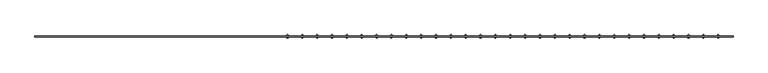
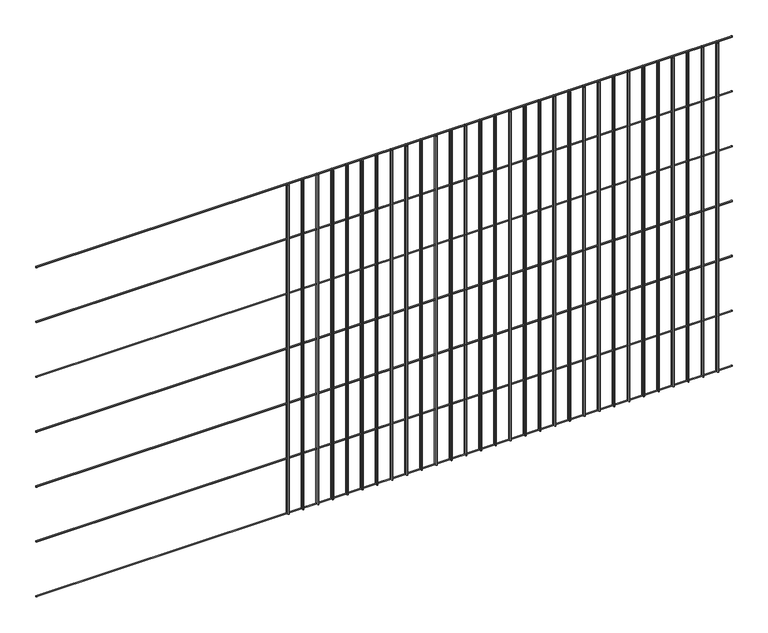
"""IFC4 building model written with IfcOpenShell, lengths in millimetres: railing geometry."""

from ifc_helpers import new_model, si_unit, point, frame, frame_2d, origin, place, context, project, spatial, circle_curve, trimmed, segment, composite_curve, outline, extrude, source, transform, mapped, element, save


def railing_db44f202(model_context):
    return source(origin(), model_context, "Body", "SweptSolid", [
        extrude(outline(composite_curve([segment(trimmed(circle_curve(frame_2d((6987.418461, 54561.2835937)), 2.0574), [point((6989.475861, 54561.2835937))], [point((6985.361061, 54561.2835937))], False, "CARTESIAN"), True, "CONTINUOUS"), segment(trimmed(circle_curve(frame_2d((6987.418461, 54561.2835937)), 2.0574), [point((6985.361061, 54561.2835937))], [point((6989.475861, 54561.2835937))], False, "CARTESIAN"), True, "CONTINUOUS")], self_intersect=False)), frame((-11489.0860839, 0.0, 0.0), z_axis=(1.0, 0.0, 0.0), x_axis=(0.0, 1.0, 0.0)), (0.0, 0.0, 1.0), 2438.4),
        extrude(outline(composite_curve([segment(trimmed(circle_curve(frame_2d((6987.418461, 54358.0835937)), 2.0574), [point((6989.475861, 54358.0835937))], [point((6985.361061, 54358.0835937))], False, "CARTESIAN"), True, "CONTINUOUS"), segment(trimmed(circle_curve(frame_2d((6987.418461, 54358.0835937)), 2.0574), [point((6985.361061, 54358.0835937))], [point((6989.475861, 54358.0835937))], False, "CARTESIAN"), True, "CONTINUOUS")], self_intersect=False)), frame((-11489.0860839, 0.0, 0.0), z_axis=(1.0, 0.0, 0.0), x_axis=(0.0, 1.0, 0.0)), (0.0, 0.0, 1.0), 2438.4),
        extrude(outline(composite_curve([segment(trimmed(circle_curve(frame_2d((6987.418461, 54154.8835937)), 2.0574), [point((6989.475861, 54154.8835937))], [point((6985.361061, 54154.8835937))], False, "CARTESIAN"), True, "CONTINUOUS"), segment(trimmed(circle_curve(frame_2d((6987.418461, 54154.8835937)), 2.0574), [point((6985.361061, 54154.8835937))], [point((6989.475861, 54154.8835937))], False, "CARTESIAN"), True, "CONTINUOUS")], self_intersect=False)), frame((-11489.0860839, 0.0, 0.0), z_axis=(1.0, 0.0, 0.0), x_axis=(0.0, 1.0, 0.0)), (0.0, 0.0, 1.0), 2438.4),
        extrude(outline(composite_curve([segment(trimmed(circle_curve(frame_2d((6987.418461, 53951.6835937)), 2.0574), [point((6989.475861, 53951.6835937))], [point((6985.361061, 53951.6835937))], False, "CARTESIAN"), True, "CONTINUOUS"), segment(trimmed(circle_curve(frame_2d((6987.418461, 53951.6835937)), 2.0574), [point((6985.361061, 53951.6835937))], [point((6989.475861, 53951.6835937))], False, "CARTESIAN"), True, "CONTINUOUS")], self_intersect=False)), frame((-11489.0860839, 0.0, 0.0), z_axis=(1.0, 0.0, 0.0), x_axis=(0.0, 1.0, 0.0)), (0.0, 0.0, 1.0), 2438.4),
        extrude(outline(composite_curve([segment(trimmed(circle_curve(frame_2d((6987.418461, 53748.4835937)), 2.0574), [point((6989.475861, 53748.4835937))], [point((6985.361061, 53748.4835937))], False, "CARTESIAN"), True, "CONTINUOUS"), segment(trimmed(circle_curve(frame_2d((6987.418461, 53748.4835937)), 2.0574), [point((6985.361061, 53748.4835937))], [point((6989.475861, 53748.4835937))], False, "CARTESIAN"), True, "CONTINUOUS")], self_intersect=False)), frame((-11489.0860839, 0.0, 0.0), z_axis=(1.0, 0.0, 0.0), x_axis=(0.0, 1.0, 0.0)), (0.0, 0.0, 1.0), 2438.4),
        extrude(outline(composite_curve([segment(trimmed(circle_curve(frame_2d((6987.418461, 53545.2835937)), 2.0574), [point((6989.475861, 53545.2835937))], [point((6985.361061, 53545.2835937))], False, "CARTESIAN"), True, "CONTINUOUS"), segment(trimmed(circle_curve(frame_2d((6987.418461, 53545.2835937)), 2.0574), [point((6985.361061, 53545.2835937))], [point((6989.475861, 53545.2835937))], False, "CARTESIAN"), True, "CONTINUOUS")], self_intersect=False)), frame((-11489.0860839, 0.0, 0.0), z_axis=(1.0, 0.0, 0.0), x_axis=(0.0, 1.0, 0.0)), (0.0, 0.0, 1.0), 2438.4),
        extrude(outline(composite_curve([segment(trimmed(circle_curve(frame_2d((6987.418461, 53342.0835937)), 2.0574), [point((6989.475861, 53342.0835937))], [point((6985.361061, 53342.0835937))], False, "CARTESIAN"), True, "CONTINUOUS"), segment(trimmed(circle_curve(frame_2d((6987.418461, 53342.0835937)), 2.0574), [point((6985.361061, 53342.0835937))], [point((6989.475861, 53342.0835937))], False, "CARTESIAN"), True, "CONTINUOUS")], self_intersect=False)), frame((-11489.0860839, 0.0, 0.0), z_axis=(1.0, 0.0, 0.0), x_axis=(0.0, 1.0, 0.0)), (0.0, 0.0, 1.0), 2438.4),
        extrude(outline(composite_curve([segment(trimmed(circle_curve(frame_2d((-9102.566935, 6991.533261)), 2.0574), [point((-9102.566935, 6989.475861))], [point((-9102.566935, 6993.590661))], False, "CARTESIAN"), True, "CONTINUOUS"), segment(trimmed(circle_curve(frame_2d((-9102.566935, 6991.533261)), 2.0574), [point((-9102.566935, 6993.590661))], [point((-9102.566935, 6989.475861))], False, "CARTESIAN"), True, "CONTINUOUS")], self_intersect=False)), frame((0.0, 0.0, 53340.0), z_axis=(0.0, 0.0, 1.0), x_axis=(1.0, 0.0, 0.0)), (0.0, 0.0, 1.0), 1219.2),
        extrude(outline(composite_curve([segment(trimmed(circle_curve(frame_2d((-9102.566935, 6983.303661)), 2.0574), [point((-9102.566935, 6985.361061))], [point((-9102.566935, 6981.246261))], False, "CARTESIAN"), True, "CONTINUOUS"), segment(trimmed(circle_curve(frame_2d((-9102.566935, 6983.303661)), 2.0574), [point((-9102.566935, 6981.246261))], [point((-9102.566935, 6985.361061))], False, "CARTESIAN"), True, "CONTINUOUS")], self_intersect=False)), frame((0.0, 0.0, 53340.0), z_axis=(0.0, 0.0, 1.0), x_axis=(1.0, 0.0, 0.0)), (0.0, 0.0, 1.0), 1219.2),
        extrude(outline(composite_curve([segment(trimmed(circle_curve(frame_2d((-9154.447786, 6991.533261)), 2.0574), [point((-9154.447786, 6989.475861))], [point((-9154.447786, 6993.590661))], False, "CARTESIAN"), True, "CONTINUOUS"), segment(trimmed(circle_curve(frame_2d((-9154.447786, 6991.533261)), 2.0574), [point((-9154.447786, 6993.590661))], [point((-9154.447786, 6989.475861))], False, "CARTESIAN"), True, "CONTINUOUS")], self_intersect=False)), frame((0.0, 0.0, 53340.0), z_axis=(0.0, 0.0, 1.0), x_axis=(1.0, 0.0, 0.0)), (0.0, 0.0, 1.0), 1219.2),
        extrude(outline(composite_curve([segment(trimmed(circle_curve(frame_2d((-9154.447786, 6983.303661)), 2.0574), [point((-9154.447786, 6985.361061))], [point((-9154.447786, 6981.246261))], False, "CARTESIAN"), True, "CONTINUOUS"), segment(trimmed(circle_curve(frame_2d((-9154.447786, 6983.303661)), 2.0574), [point((-9154.447786, 6981.246261))], [point((-9154.447786, 6985.361061))], False, "CARTESIAN"), True, "CONTINUOUS")], self_intersect=False)), frame((0.0, 0.0, 53340.0), z_axis=(0.0, 0.0, 1.0), x_axis=(1.0, 0.0, 0.0)), (0.0, 0.0, 1.0), 1219.2),
        extrude(outline(composite_curve([segment(trimmed(circle_curve(frame_2d((-9206.3286371, 6991.533261)), 2.0574), [point((-9206.3286371, 6989.475861))], [point((-9206.3286371, 6993.590661))], False, "CARTESIAN"), True, "CONTINUOUS"), segment(trimmed(circle_curve(frame_2d((-9206.3286371, 6991.533261)), 2.0574), [point((-9206.3286371, 6993.590661))], [point((-9206.3286371, 6989.475861))], False, "CARTESIAN"), True, "CONTINUOUS")], self_intersect=False)), frame((0.0, 0.0, 53340.0), z_axis=(0.0, 0.0, 1.0), x_axis=(1.0, 0.0, 0.0)), (0.0, 0.0, 1.0), 1219.2),
        extrude(outline(composite_curve([segment(trimmed(circle_curve(frame_2d((-9206.3286371, 6983.303661)), 2.0574), [point((-9206.3286371, 6985.361061))], [point((-9206.3286371, 6981.246261))], False, "CARTESIAN"), True, "CONTINUOUS"), segment(trimmed(circle_curve(frame_2d((-9206.3286371, 6983.303661)), 2.0574), [point((-9206.3286371, 6981.246261))], [point((-9206.3286371, 6985.361061))], False, "CARTESIAN"), True, "CONTINUOUS")], self_intersect=False)), frame((0.0, 0.0, 53340.0), z_axis=(0.0, 0.0, 1.0), x_axis=(1.0, 0.0, 0.0)), (0.0, 0.0, 1.0), 1219.2),
        extrude(outline(composite_curve([segment(trimmed(circle_curve(frame_2d((-9258.2094881, 6991.533261)), 2.0574), [point((-9258.2094881, 6989.475861))], [point((-9258.2094881, 6993.590661))], False, "CARTESIAN"), True, "CONTINUOUS"), segment(trimmed(circle_curve(frame_2d((-9258.2094881, 6991.533261)), 2.0574), [point((-9258.2094881, 6993.590661))], [point((-9258.2094881, 6989.475861))], False, "CARTESIAN"), True, "CONTINUOUS")], self_intersect=False)), frame((0.0, 0.0, 53340.0), z_axis=(0.0, 0.0, 1.0), x_axis=(1.0, 0.0, 0.0)), (0.0, 0.0, 1.0), 1219.2),
        extrude(outline(composite_curve([segment(trimmed(circle_curve(frame_2d((-9258.2094881, 6983.303661)), 2.0574), [point((-9258.2094881, 6985.361061))], [point((-9258.2094881, 6981.246261))], False, "CARTESIAN"), True, "CONTINUOUS"), segment(trimmed(circle_curve(frame_2d((-9258.2094881, 6983.303661)), 2.0574), [point((-9258.2094881, 6981.246261))], [point((-9258.2094881, 6985.361061))], False, "CARTESIAN"), True, "CONTINUOUS")], self_intersect=False)), frame((0.0, 0.0, 53340.0), z_axis=(0.0, 0.0, 1.0), x_axis=(1.0, 0.0, 0.0)), (0.0, 0.0, 1.0), 1219.2),
        extrude(outline(composite_curve([segment(trimmed(circle_curve(frame_2d((-9310.0903392, 6991.533261)), 2.0574), [point((-9310.0903392, 6989.475861))], [point((-9310.0903392, 6993.590661))], False, "CARTESIAN"), True, "CONTINUOUS"), segment(trimmed(circle_curve(frame_2d((-9310.0903392, 6991.533261)), 2.0574), [point((-9310.0903392, 6993.590661))], [point((-9310.0903392, 6989.475861))], False, "CARTESIAN"), True, "CONTINUOUS")], self_intersect=False)), frame((0.0, 0.0, 53340.0), z_axis=(0.0, 0.0, 1.0), x_axis=(1.0, 0.0, 0.0)), (0.0, 0.0, 1.0), 1219.2),
        extrude(outline(composite_curve([segment(trimmed(circle_curve(frame_2d((-9310.0903392, 6983.303661)), 2.0574), [point((-9310.0903392, 6985.361061))], [point((-9310.0903392, 6981.246261))], False, "CARTESIAN"), True, "CONTINUOUS"), segment(trimmed(circle_curve(frame_2d((-9310.0903392, 6983.303661)), 2.0574), [point((-9310.0903392, 6981.246261))], [point((-9310.0903392, 6985.361061))], False, "CARTESIAN"), True, "CONTINUOUS")], self_intersect=False)), frame((0.0, 0.0, 53340.0), z_axis=(0.0, 0.0, 1.0), x_axis=(1.0, 0.0, 0.0)), (0.0, 0.0, 1.0), 1219.2),
        extrude(outline(composite_curve([segment(trimmed(circle_curve(frame_2d((-9361.9711903, 6991.533261)), 2.0574), [point((-9361.9711903, 6989.475861))], [point((-9361.9711903, 6993.590661))], False, "CARTESIAN"), True, "CONTINUOUS"), segment(trimmed(circle_curve(frame_2d((-9361.9711903, 6991.533261)), 2.0574), [point((-9361.9711903, 6993.590661))], [point((-9361.9711903, 6989.475861))], False, "CARTESIAN"), True, "CONTINUOUS")], self_intersect=False)), frame((0.0, 0.0, 53340.0), z_axis=(0.0, 0.0, 1.0), x_axis=(1.0, 0.0, 0.0)), (0.0, 0.0, 1.0), 1219.2),
        extrude(outline(composite_curve([segment(trimmed(circle_curve(frame_2d((-9361.9711903, 6983.303661)), 2.0574), [point((-9361.9711903, 6985.361061))], [point((-9361.9711903, 6981.246261))], False, "CARTESIAN"), True, "CONTINUOUS"), segment(trimmed(circle_curve(frame_2d((-9361.9711903, 6983.303661)), 2.0574), [point((-9361.9711903, 6981.246261))], [point((-9361.9711903, 6985.361061))], False, "CARTESIAN"), True, "CONTINUOUS")], self_intersect=False)), frame((0.0, 0.0, 53340.0), z_axis=(0.0, 0.0, 1.0), x_axis=(1.0, 0.0, 0.0)), (0.0, 0.0, 1.0), 1219.2),
        extrude(outline(composite_curve([segment(trimmed(circle_curve(frame_2d((-9413.8520413, 6991.533261)), 2.0574), [point((-9413.8520413, 6989.475861))], [point((-9413.8520413, 6993.590661))], False, "CARTESIAN"), True, "CONTINUOUS"), segment(trimmed(circle_curve(frame_2d((-9413.8520413, 6991.533261)), 2.0574), [point((-9413.8520413, 6993.590661))], [point((-9413.8520413, 6989.475861))], False, "CARTESIAN"), True, "CONTINUOUS")], self_intersect=False)), frame((0.0, 0.0, 53340.0), z_axis=(0.0, 0.0, 1.0), x_axis=(1.0, 0.0, 0.0)), (0.0, 0.0, 1.0), 1219.2),
        extrude(outline(composite_curve([segment(trimmed(circle_curve(frame_2d((-9413.8520413, 6983.303661)), 2.0574), [point((-9413.8520413, 6985.361061))], [point((-9413.8520413, 6981.246261))], False, "CARTESIAN"), True, "CONTINUOUS"), segment(trimmed(circle_curve(frame_2d((-9413.8520413, 6983.303661)), 2.0574), [point((-9413.8520413, 6981.246261))], [point((-9413.8520413, 6985.361061))], False, "CARTESIAN"), True, "CONTINUOUS")], self_intersect=False)), frame((0.0, 0.0, 53340.0), z_axis=(0.0, 0.0, 1.0), x_axis=(1.0, 0.0, 0.0)), (0.0, 0.0, 1.0), 1219.2),
        extrude(outline(composite_curve([segment(trimmed(circle_curve(frame_2d((-9465.7328924, 6991.533261)), 2.0574), [point((-9465.7328924, 6989.475861))], [point((-9465.7328924, 6993.590661))], False, "CARTESIAN"), True, "CONTINUOUS"), segment(trimmed(circle_curve(frame_2d((-9465.7328924, 6991.533261)), 2.0574), [point((-9465.7328924, 6993.590661))], [point((-9465.7328924, 6989.475861))], False, "CARTESIAN"), True, "CONTINUOUS")], self_intersect=False)), frame((0.0, 0.0, 53340.0), z_axis=(0.0, 0.0, 1.0), x_axis=(1.0, 0.0, 0.0)), (0.0, 0.0, 1.0), 1219.2),
        extrude(outline(composite_curve([segment(trimmed(circle_curve(frame_2d((-9465.7328924, 6983.303661)), 2.0574), [point((-9465.7328924, 6985.361061))], [point((-9465.7328924, 6981.246261))], False, "CARTESIAN"), True, "CONTINUOUS"), segment(trimmed(circle_curve(frame_2d((-9465.7328924, 6983.303661)), 2.0574), [point((-9465.7328924, 6981.246261))], [point((-9465.7328924, 6985.361061))], False, "CARTESIAN"), True, "CONTINUOUS")], self_intersect=False)), frame((0.0, 0.0, 53340.0), z_axis=(0.0, 0.0, 1.0), x_axis=(1.0, 0.0, 0.0)), (0.0, 0.0, 1.0), 1219.2),
        extrude(outline(composite_curve([segment(trimmed(circle_curve(frame_2d((-9517.6137435, 6991.533261)), 2.0574), [point((-9517.6137435, 6989.475861))], [point((-9517.6137435, 6993.590661))], False, "CARTESIAN"), True, "CONTINUOUS"), segment(trimmed(circle_curve(frame_2d((-9517.6137435, 6991.533261)), 2.0574), [point((-9517.6137435, 6993.590661))], [point((-9517.6137435, 6989.475861))], False, "CARTESIAN"), True, "CONTINUOUS")], self_intersect=False)), frame((0.0, 0.0, 53340.0), z_axis=(0.0, 0.0, 1.0), x_axis=(1.0, 0.0, 0.0)), (0.0, 0.0, 1.0), 1219.2),
        extrude(outline(composite_curve([segment(trimmed(circle_curve(frame_2d((-9517.6137435, 6983.303661)), 2.0574), [point((-9517.6137435, 6985.361061))], [point((-9517.6137435, 6981.246261))], False, "CARTESIAN"), True, "CONTINUOUS"), segment(trimmed(circle_curve(frame_2d((-9517.6137435, 6983.303661)), 2.0574), [point((-9517.6137435, 6981.246261))], [point((-9517.6137435, 6985.361061))], False, "CARTESIAN"), True, "CONTINUOUS")], self_intersect=False)), frame((0.0, 0.0, 53340.0), z_axis=(0.0, 0.0, 1.0), x_axis=(1.0, 0.0, 0.0)), (0.0, 0.0, 1.0), 1219.2),
        extrude(outline(composite_curve([segment(trimmed(circle_curve(frame_2d((-9569.4945945, 6991.533261)), 2.0574), [point((-9569.4945945, 6989.475861))], [point((-9569.4945945, 6993.590661))], False, "CARTESIAN"), True, "CONTINUOUS"), segment(trimmed(circle_curve(frame_2d((-9569.4945945, 6991.533261)), 2.0574), [point((-9569.4945945, 6993.590661))], [point((-9569.4945945, 6989.475861))], False, "CARTESIAN"), True, "CONTINUOUS")], self_intersect=False)), frame((0.0, 0.0, 53340.0), z_axis=(0.0, 0.0, 1.0), x_axis=(1.0, 0.0, 0.0)), (0.0, 0.0, 1.0), 1219.2),
        extrude(outline(composite_curve([segment(trimmed(circle_curve(frame_2d((-9569.4945945, 6983.303661)), 2.0574), [point((-9569.4945945, 6985.361061))], [point((-9569.4945945, 6981.246261))], False, "CARTESIAN"), True, "CONTINUOUS"), segment(trimmed(circle_curve(frame_2d((-9569.4945945, 6983.303661)), 2.0574), [point((-9569.4945945, 6981.246261))], [point((-9569.4945945, 6985.361061))], False, "CARTESIAN"), True, "CONTINUOUS")], self_intersect=False)), frame((0.0, 0.0, 53340.0), z_axis=(0.0, 0.0, 1.0), x_axis=(1.0, 0.0, 0.0)), (0.0, 0.0, 1.0), 1219.2),
        extrude(outline(composite_curve([segment(trimmed(circle_curve(frame_2d((-9621.3754456, 6991.533261)), 2.0574), [point((-9621.3754456, 6989.475861))], [point((-9621.3754456, 6993.590661))], False, "CARTESIAN"), True, "CONTINUOUS"), segment(trimmed(circle_curve(frame_2d((-9621.3754456, 6991.533261)), 2.0574), [point((-9621.3754456, 6993.590661))], [point((-9621.3754456, 6989.475861))], False, "CARTESIAN"), True, "CONTINUOUS")], self_intersect=False)), frame((0.0, 0.0, 53340.0), z_axis=(0.0, 0.0, 1.0), x_axis=(1.0, 0.0, 0.0)), (0.0, 0.0, 1.0), 1219.2),
        extrude(outline(composite_curve([segment(trimmed(circle_curve(frame_2d((-9621.3754456, 6983.303661)), 2.0574), [point((-9621.3754456, 6985.361061))], [point((-9621.3754456, 6981.246261))], False, "CARTESIAN"), True, "CONTINUOUS"), segment(trimmed(circle_curve(frame_2d((-9621.3754456, 6983.303661)), 2.0574), [point((-9621.3754456, 6981.246261))], [point((-9621.3754456, 6985.361061))], False, "CARTESIAN"), True, "CONTINUOUS")], self_intersect=False)), frame((0.0, 0.0, 53340.0), z_axis=(0.0, 0.0, 1.0), x_axis=(1.0, 0.0, 0.0)), (0.0, 0.0, 1.0), 1219.2),
        extrude(outline(composite_curve([segment(trimmed(circle_curve(frame_2d((-9673.2562967, 6991.533261)), 2.0574), [point((-9673.2562967, 6989.475861))], [point((-9673.2562967, 6993.590661))], False, "CARTESIAN"), True, "CONTINUOUS"), segment(trimmed(circle_curve(frame_2d((-9673.2562967, 6991.533261)), 2.0574), [point((-9673.2562967, 6993.590661))], [point((-9673.2562967, 6989.475861))], False, "CARTESIAN"), True, "CONTINUOUS")], self_intersect=False)), frame((0.0, 0.0, 53340.0), z_axis=(0.0, 0.0, 1.0), x_axis=(1.0, 0.0, 0.0)), (0.0, 0.0, 1.0), 1219.2),
        extrude(outline(composite_curve([segment(trimmed(circle_curve(frame_2d((-9673.2562967, 6983.303661)), 2.0574), [point((-9673.2562967, 6985.361061))], [point((-9673.2562967, 6981.246261))], False, "CARTESIAN"), True, "CONTINUOUS"), segment(trimmed(circle_curve(frame_2d((-9673.2562967, 6983.303661)), 2.0574), [point((-9673.2562967, 6981.246261))], [point((-9673.2562967, 6985.361061))], False, "CARTESIAN"), True, "CONTINUOUS")], self_intersect=False)), frame((0.0, 0.0, 53340.0), z_axis=(0.0, 0.0, 1.0), x_axis=(1.0, 0.0, 0.0)), (0.0, 0.0, 1.0), 1219.2),
        extrude(outline(composite_curve([segment(trimmed(circle_curve(frame_2d((-9725.1371477, 6991.533261)), 2.0574), [point((-9725.1371477, 6989.475861))], [point((-9725.1371477, 6993.590661))], False, "CARTESIAN"), True, "CONTINUOUS"), segment(trimmed(circle_curve(frame_2d((-9725.1371477, 6991.533261)), 2.0574), [point((-9725.1371477, 6993.590661))], [point((-9725.1371477, 6989.475861))], False, "CARTESIAN"), True, "CONTINUOUS")], self_intersect=False)), frame((0.0, 0.0, 53340.0), z_axis=(0.0, 0.0, 1.0), x_axis=(1.0, 0.0, 0.0)), (0.0, 0.0, 1.0), 1219.2),
        extrude(outline(composite_curve([segment(trimmed(circle_curve(frame_2d((-9725.1371477, 6983.303661)), 2.0574), [point((-9725.1371477, 6985.361061))], [point((-9725.1371477, 6981.246261))], False, "CARTESIAN"), True, "CONTINUOUS"), segment(trimmed(circle_curve(frame_2d((-9725.1371477, 6983.303661)), 2.0574), [point((-9725.1371477, 6981.246261))], [point((-9725.1371477, 6985.361061))], False, "CARTESIAN"), True, "CONTINUOUS")], self_intersect=False)), frame((0.0, 0.0, 53340.0), z_axis=(0.0, 0.0, 1.0), x_axis=(1.0, 0.0, 0.0)), (0.0, 0.0, 1.0), 1219.2),
        extrude(outline(composite_curve([segment(trimmed(circle_curve(frame_2d((-9777.0179988, 6991.533261)), 2.0574), [point((-9777.0179988, 6989.475861))], [point((-9777.0179988, 6993.590661))], False, "CARTESIAN"), True, "CONTINUOUS"), segment(trimmed(circle_curve(frame_2d((-9777.0179988, 6991.533261)), 2.0574), [point((-9777.0179988, 6993.590661))], [point((-9777.0179988, 6989.475861))], False, "CARTESIAN"), True, "CONTINUOUS")], self_intersect=False)), frame((0.0, 0.0, 53340.0), z_axis=(0.0, 0.0, 1.0), x_axis=(1.0, 0.0, 0.0)), (0.0, 0.0, 1.0), 1219.2),
        extrude(outline(composite_curve([segment(trimmed(circle_curve(frame_2d((-9777.0179988, 6983.303661)), 2.0574), [point((-9777.0179988, 6985.361061))], [point((-9777.0179988, 6981.246261))], False, "CARTESIAN"), True, "CONTINUOUS"), segment(trimmed(circle_curve(frame_2d((-9777.0179988, 6983.303661)), 2.0574), [point((-9777.0179988, 6981.246261))], [point((-9777.0179988, 6985.361061))], False, "CARTESIAN"), True, "CONTINUOUS")], self_intersect=False)), frame((0.0, 0.0, 53340.0), z_axis=(0.0, 0.0, 1.0), x_axis=(1.0, 0.0, 0.0)), (0.0, 0.0, 1.0), 1219.2),
        extrude(outline(composite_curve([segment(trimmed(circle_curve(frame_2d((-9828.8988499, 6991.533261)), 2.0574), [point((-9828.8988499, 6989.475861))], [point((-9828.8988499, 6993.590661))], False, "CARTESIAN"), True, "CONTINUOUS"), segment(trimmed(circle_curve(frame_2d((-9828.8988499, 6991.533261)), 2.0574), [point((-9828.8988499, 6993.590661))], [point((-9828.8988499, 6989.475861))], False, "CARTESIAN"), True, "CONTINUOUS")], self_intersect=False)), frame((0.0, 0.0, 53340.0), z_axis=(0.0, 0.0, 1.0), x_axis=(1.0, 0.0, 0.0)), (0.0, 0.0, 1.0), 1219.2),
        extrude(outline(composite_curve([segment(trimmed(circle_curve(frame_2d((-9828.8988499, 6983.303661)), 2.0574), [point((-9828.8988499, 6985.361061))], [point((-9828.8988499, 6981.246261))], False, "CARTESIAN"), True, "CONTINUOUS"), segment(trimmed(circle_curve(frame_2d((-9828.8988499, 6983.303661)), 2.0574), [point((-9828.8988499, 6981.246261))], [point((-9828.8988499, 6985.361061))], False, "CARTESIAN"), True, "CONTINUOUS")], self_intersect=False)), frame((0.0, 0.0, 53340.0), z_axis=(0.0, 0.0, 1.0), x_axis=(1.0, 0.0, 0.0)), (0.0, 0.0, 1.0), 1219.2),
        extrude(outline(composite_curve([segment(trimmed(circle_curve(frame_2d((-9880.7797009, 6991.533261)), 2.0574), [point((-9880.7797009, 6989.475861))], [point((-9880.7797009, 6993.590661))], False, "CARTESIAN"), True, "CONTINUOUS"), segment(trimmed(circle_curve(frame_2d((-9880.7797009, 6991.533261)), 2.0574), [point((-9880.7797009, 6993.590661))], [point((-9880.7797009, 6989.475861))], False, "CARTESIAN"), True, "CONTINUOUS")], self_intersect=False)), frame((0.0, 0.0, 53340.0), z_axis=(0.0, 0.0, 1.0), x_axis=(1.0, 0.0, 0.0)), (0.0, 0.0, 1.0), 1219.2),
        extrude(outline(composite_curve([segment(trimmed(circle_curve(frame_2d((-9880.7797009, 6983.303661)), 2.0574), [point((-9880.7797009, 6985.361061))], [point((-9880.7797009, 6981.246261))], False, "CARTESIAN"), True, "CONTINUOUS"), segment(trimmed(circle_curve(frame_2d((-9880.7797009, 6983.303661)), 2.0574), [point((-9880.7797009, 6981.246261))], [point((-9880.7797009, 6985.361061))], False, "CARTESIAN"), True, "CONTINUOUS")], self_intersect=False)), frame((0.0, 0.0, 53340.0), z_axis=(0.0, 0.0, 1.0), x_axis=(1.0, 0.0, 0.0)), (0.0, 0.0, 1.0), 1219.2),
        extrude(outline(composite_curve([segment(trimmed(circle_curve(frame_2d((-9932.660552, 6991.533261)), 2.0574), [point((-9932.660552, 6989.475861))], [point((-9932.660552, 6993.590661))], False, "CARTESIAN"), True, "CONTINUOUS"), segment(trimmed(circle_curve(frame_2d((-9932.660552, 6991.533261)), 2.0574), [point((-9932.660552, 6993.590661))], [point((-9932.660552, 6989.475861))], False, "CARTESIAN"), True, "CONTINUOUS")], self_intersect=False)), frame((0.0, 0.0, 53340.0), z_axis=(0.0, 0.0, 1.0), x_axis=(1.0, 0.0, 0.0)), (0.0, 0.0, 1.0), 1219.2),
        extrude(outline(composite_curve([segment(trimmed(circle_curve(frame_2d((-9932.660552, 6983.303661)), 2.0574), [point((-9932.660552, 6985.361061))], [point((-9932.660552, 6981.246261))], False, "CARTESIAN"), True, "CONTINUOUS"), segment(trimmed(circle_curve(frame_2d((-9932.660552, 6983.303661)), 2.0574), [point((-9932.660552, 6981.246261))], [point((-9932.660552, 6985.361061))], False, "CARTESIAN"), True, "CONTINUOUS")], self_intersect=False)), frame((0.0, 0.0, 53340.0), z_axis=(0.0, 0.0, 1.0), x_axis=(1.0, 0.0, 0.0)), (0.0, 0.0, 1.0), 1219.2),
        extrude(outline(composite_curve([segment(trimmed(circle_curve(frame_2d((-9984.541403, 6991.533261)), 2.0574), [point((-9984.541403, 6989.475861))], [point((-9984.541403, 6993.590661))], False, "CARTESIAN"), True, "CONTINUOUS"), segment(trimmed(circle_curve(frame_2d((-9984.541403, 6991.533261)), 2.0574), [point((-9984.541403, 6993.590661))], [point((-9984.541403, 6989.475861))], False, "CARTESIAN"), True, "CONTINUOUS")], self_intersect=False)), frame((0.0, 0.0, 53340.0), z_axis=(0.0, 0.0, 1.0), x_axis=(1.0, 0.0, 0.0)), (0.0, 0.0, 1.0), 1219.2),
        extrude(outline(composite_curve([segment(trimmed(circle_curve(frame_2d((-9984.541403, 6983.303661)), 2.0574), [point((-9984.541403, 6985.361061))], [point((-9984.541403, 6981.246261))], False, "CARTESIAN"), True, "CONTINUOUS"), segment(trimmed(circle_curve(frame_2d((-9984.541403, 6983.303661)), 2.0574), [point((-9984.541403, 6981.246261))], [point((-9984.541403, 6985.361061))], False, "CARTESIAN"), True, "CONTINUOUS")], self_intersect=False)), frame((0.0, 0.0, 53340.0), z_axis=(0.0, 0.0, 1.0), x_axis=(1.0, 0.0, 0.0)), (0.0, 0.0, 1.0), 1219.2),
        extrude(outline(composite_curve([segment(trimmed(circle_curve(frame_2d((-10036.4222541, 6991.533261)), 2.0574), [point((-10036.4222541, 6989.475861))], [point((-10036.4222541, 6993.590661))], False, "CARTESIAN"), True, "CONTINUOUS"), segment(trimmed(circle_curve(frame_2d((-10036.4222541, 6991.533261)), 2.0574), [point((-10036.4222541, 6993.590661))], [point((-10036.4222541, 6989.475861))], False, "CARTESIAN"), True, "CONTINUOUS")], self_intersect=False)), frame((0.0, 0.0, 53340.0), z_axis=(0.0, 0.0, 1.0), x_axis=(1.0, 0.0, 0.0)), (0.0, 0.0, 1.0), 1219.2),
        extrude(outline(composite_curve([segment(trimmed(circle_curve(frame_2d((-10036.4222541, 6983.303661)), 2.0574), [point((-10036.4222541, 6985.361061))], [point((-10036.4222541, 6981.246261))], False, "CARTESIAN"), True, "CONTINUOUS"), segment(trimmed(circle_curve(frame_2d((-10036.4222541, 6983.303661)), 2.0574), [point((-10036.4222541, 6981.246261))], [point((-10036.4222541, 6985.361061))], False, "CARTESIAN"), True, "CONTINUOUS")], self_intersect=False)), frame((0.0, 0.0, 53340.0), z_axis=(0.0, 0.0, 1.0), x_axis=(1.0, 0.0, 0.0)), (0.0, 0.0, 1.0), 1219.2),
        extrude(outline(composite_curve([segment(trimmed(circle_curve(frame_2d((-10088.3031052, 6991.533261)), 2.0574), [point((-10088.3031052, 6989.475861))], [point((-10088.3031052, 6993.590661))], False, "CARTESIAN"), True, "CONTINUOUS"), segment(trimmed(circle_curve(frame_2d((-10088.3031052, 6991.533261)), 2.0574), [point((-10088.3031052, 6993.590661))], [point((-10088.3031052, 6989.475861))], False, "CARTESIAN"), True, "CONTINUOUS")], self_intersect=False)), frame((0.0, 0.0, 53340.0), z_axis=(0.0, 0.0, 1.0), x_axis=(1.0, 0.0, 0.0)), (0.0, 0.0, 1.0), 1219.2),
        extrude(outline(composite_curve([segment(trimmed(circle_curve(frame_2d((-10088.3031052, 6983.303661)), 2.0574), [point((-10088.3031052, 6985.361061))], [point((-10088.3031052, 6981.246261))], False, "CARTESIAN"), True, "CONTINUOUS"), segment(trimmed(circle_curve(frame_2d((-10088.3031052, 6983.303661)), 2.0574), [point((-10088.3031052, 6981.246261))], [point((-10088.3031052, 6985.361061))], False, "CARTESIAN"), True, "CONTINUOUS")], self_intersect=False)), frame((0.0, 0.0, 53340.0), z_axis=(0.0, 0.0, 1.0), x_axis=(1.0, 0.0, 0.0)), (0.0, 0.0, 1.0), 1219.2),
        extrude(outline(composite_curve([segment(trimmed(circle_curve(frame_2d((-10140.1839562, 6991.533261)), 2.0574), [point((-10140.1839562, 6989.475861))], [point((-10140.1839562, 6993.590661))], False, "CARTESIAN"), True, "CONTINUOUS"), segment(trimmed(circle_curve(frame_2d((-10140.1839562, 6991.533261)), 2.0574), [point((-10140.1839562, 6993.590661))], [point((-10140.1839562, 6989.475861))], False, "CARTESIAN"), True, "CONTINUOUS")], self_intersect=False)), frame((0.0, 0.0, 53340.0), z_axis=(0.0, 0.0, 1.0), x_axis=(1.0, 0.0, 0.0)), (0.0, 0.0, 1.0), 1219.2),
        extrude(outline(composite_curve([segment(trimmed(circle_curve(frame_2d((-10140.1839562, 6983.303661)), 2.0574), [point((-10140.1839562, 6985.361061))], [point((-10140.1839562, 6981.246261))], False, "CARTESIAN"), True, "CONTINUOUS"), segment(trimmed(circle_curve(frame_2d((-10140.1839562, 6983.303661)), 2.0574), [point((-10140.1839562, 6981.246261))], [point((-10140.1839562, 6985.361061))], False, "CARTESIAN"), True, "CONTINUOUS")], self_intersect=False)), frame((0.0, 0.0, 53340.0), z_axis=(0.0, 0.0, 1.0), x_axis=(1.0, 0.0, 0.0)), (0.0, 0.0, 1.0), 1219.2),
        extrude(outline(composite_curve([segment(trimmed(circle_curve(frame_2d((-10192.0648073, 6991.533261)), 2.0574), [point((-10192.0648073, 6989.475861))], [point((-10192.0648073, 6993.590661))], False, "CARTESIAN"), True, "CONTINUOUS"), segment(trimmed(circle_curve(frame_2d((-10192.0648073, 6991.533261)), 2.0574), [point((-10192.0648073, 6993.590661))], [point((-10192.0648073, 6989.475861))], False, "CARTESIAN"), True, "CONTINUOUS")], self_intersect=False)), frame((0.0, 0.0, 53340.0), z_axis=(0.0, 0.0, 1.0), x_axis=(1.0, 0.0, 0.0)), (0.0, 0.0, 1.0), 1219.2),
        extrude(outline(composite_curve([segment(trimmed(circle_curve(frame_2d((-10192.0648073, 6983.303661)), 2.0574), [point((-10192.0648073, 6985.361061))], [point((-10192.0648073, 6981.246261))], False, "CARTESIAN"), True, "CONTINUOUS"), segment(trimmed(circle_curve(frame_2d((-10192.0648073, 6983.303661)), 2.0574), [point((-10192.0648073, 6981.246261))], [point((-10192.0648073, 6985.361061))], False, "CARTESIAN"), True, "CONTINUOUS")], self_intersect=False)), frame((0.0, 0.0, 53340.0), z_axis=(0.0, 0.0, 1.0), x_axis=(1.0, 0.0, 0.0)), (0.0, 0.0, 1.0), 1219.2),
        extrude(outline(composite_curve([segment(trimmed(circle_curve(frame_2d((-10243.9456584, 6991.533261)), 2.0574), [point((-10243.9456584, 6989.475861))], [point((-10243.9456584, 6993.590661))], False, "CARTESIAN"), True, "CONTINUOUS"), segment(trimmed(circle_curve(frame_2d((-10243.9456584, 6991.533261)), 2.0574), [point((-10243.9456584, 6993.590661))], [point((-10243.9456584, 6989.475861))], False, "CARTESIAN"), True, "CONTINUOUS")], self_intersect=False)), frame((0.0, 0.0, 53340.0), z_axis=(0.0, 0.0, 1.0), x_axis=(1.0, 0.0, 0.0)), (0.0, 0.0, 1.0), 1219.2),
        extrude(outline(composite_curve([segment(trimmed(circle_curve(frame_2d((-10243.9456584, 6983.303661)), 2.0574), [point((-10243.9456584, 6985.361061))], [point((-10243.9456584, 6981.246261))], False, "CARTESIAN"), True, "CONTINUOUS"), segment(trimmed(circle_curve(frame_2d((-10243.9456584, 6983.303661)), 2.0574), [point((-10243.9456584, 6981.246261))], [point((-10243.9456584, 6985.361061))], False, "CARTESIAN"), True, "CONTINUOUS")], self_intersect=False)), frame((0.0, 0.0, 53340.0), z_axis=(0.0, 0.0, 1.0), x_axis=(1.0, 0.0, 0.0)), (0.0, 0.0, 1.0), 1219.2),
        extrude(outline(composite_curve([segment(trimmed(circle_curve(frame_2d((-10295.8265094, 6991.533261)), 2.0574), [point((-10295.8265094, 6989.475861))], [point((-10295.8265094, 6993.590661))], False, "CARTESIAN"), True, "CONTINUOUS"), segment(trimmed(circle_curve(frame_2d((-10295.8265094, 6991.533261)), 2.0574), [point((-10295.8265094, 6993.590661))], [point((-10295.8265094, 6989.475861))], False, "CARTESIAN"), True, "CONTINUOUS")], self_intersect=False)), frame((0.0, 0.0, 53340.0), z_axis=(0.0, 0.0, 1.0), x_axis=(1.0, 0.0, 0.0)), (0.0, 0.0, 1.0), 1219.2),
        extrude(outline(composite_curve([segment(trimmed(circle_curve(frame_2d((-10295.8265094, 6983.303661)), 2.0574), [point((-10295.8265094, 6985.361061))], [point((-10295.8265094, 6981.246261))], False, "CARTESIAN"), True, "CONTINUOUS"), segment(trimmed(circle_curve(frame_2d((-10295.8265094, 6983.303661)), 2.0574), [point((-10295.8265094, 6981.246261))], [point((-10295.8265094, 6985.361061))], False, "CARTESIAN"), True, "CONTINUOUS")], self_intersect=False)), frame((0.0, 0.0, 53340.0), z_axis=(0.0, 0.0, 1.0), x_axis=(1.0, 0.0, 0.0)), (0.0, 0.0, 1.0), 1219.2),
        extrude(outline(composite_curve([segment(trimmed(circle_curve(frame_2d((-10347.7073605, 6991.533261)), 2.0574), [point((-10347.7073605, 6989.475861))], [point((-10347.7073605, 6993.590661))], False, "CARTESIAN"), True, "CONTINUOUS"), segment(trimmed(circle_curve(frame_2d((-10347.7073605, 6991.533261)), 2.0574), [point((-10347.7073605, 6993.590661))], [point((-10347.7073605, 6989.475861))], False, "CARTESIAN"), True, "CONTINUOUS")], self_intersect=False)), frame((0.0, 0.0, 53340.0), z_axis=(0.0, 0.0, 1.0), x_axis=(1.0, 0.0, 0.0)), (0.0, 0.0, 1.0), 1219.2),
        extrude(outline(composite_curve([segment(trimmed(circle_curve(frame_2d((-10347.7073605, 6983.303661)), 2.0574), [point((-10347.7073605, 6985.361061))], [point((-10347.7073605, 6981.246261))], False, "CARTESIAN"), True, "CONTINUOUS"), segment(trimmed(circle_curve(frame_2d((-10347.7073605, 6983.303661)), 2.0574), [point((-10347.7073605, 6981.246261))], [point((-10347.7073605, 6985.361061))], False, "CARTESIAN"), True, "CONTINUOUS")], self_intersect=False)), frame((0.0, 0.0, 53340.0), z_axis=(0.0, 0.0, 1.0), x_axis=(1.0, 0.0, 0.0)), (0.0, 0.0, 1.0), 1219.2),
        extrude(outline(composite_curve([segment(trimmed(circle_curve(frame_2d((-10399.5882116, 6991.533261)), 2.0574), [point((-10399.5882116, 6989.475861))], [point((-10399.5882116, 6993.590661))], False, "CARTESIAN"), True, "CONTINUOUS"), segment(trimmed(circle_curve(frame_2d((-10399.5882116, 6991.533261)), 2.0574), [point((-10399.5882116, 6993.590661))], [point((-10399.5882116, 6989.475861))], False, "CARTESIAN"), True, "CONTINUOUS")], self_intersect=False)), frame((0.0, 0.0, 53340.0), z_axis=(0.0, 0.0, 1.0), x_axis=(1.0, 0.0, 0.0)), (0.0, 0.0, 1.0), 1219.2),
        extrude(outline(composite_curve([segment(trimmed(circle_curve(frame_2d((-10399.5882116, 6983.303661)), 2.0574), [point((-10399.5882116, 6985.361061))], [point((-10399.5882116, 6981.246261))], False, "CARTESIAN"), True, "CONTINUOUS"), segment(trimmed(circle_curve(frame_2d((-10399.5882116, 6983.303661)), 2.0574), [point((-10399.5882116, 6981.246261))], [point((-10399.5882116, 6985.361061))], False, "CARTESIAN"), True, "CONTINUOUS")], self_intersect=False)), frame((0.0, 0.0, 53340.0), z_axis=(0.0, 0.0, 1.0), x_axis=(1.0, 0.0, 0.0)), (0.0, 0.0, 1.0), 1219.2),
        extrude(outline(composite_curve([segment(trimmed(circle_curve(frame_2d((-10451.4690626, 6991.533261)), 2.0574), [point((-10451.4690626, 6989.475861))], [point((-10451.4690626, 6993.590661))], False, "CARTESIAN"), True, "CONTINUOUS"), segment(trimmed(circle_curve(frame_2d((-10451.4690626, 6991.533261)), 2.0574), [point((-10451.4690626, 6993.590661))], [point((-10451.4690626, 6989.475861))], False, "CARTESIAN"), True, "CONTINUOUS")], self_intersect=False)), frame((0.0, 0.0, 53340.0), z_axis=(0.0, 0.0, 1.0), x_axis=(1.0, 0.0, 0.0)), (0.0, 0.0, 1.0), 1219.2),
        extrude(outline(composite_curve([segment(trimmed(circle_curve(frame_2d((-10451.4690626, 6983.303661)), 2.0574), [point((-10451.4690626, 6985.361061))], [point((-10451.4690626, 6981.246261))], False, "CARTESIAN"), True, "CONTINUOUS"), segment(trimmed(circle_curve(frame_2d((-10451.4690626, 6983.303661)), 2.0574), [point((-10451.4690626, 6981.246261))], [point((-10451.4690626, 6985.361061))], False, "CARTESIAN"), True, "CONTINUOUS")], self_intersect=False)), frame((0.0, 0.0, 53340.0), z_axis=(0.0, 0.0, 1.0), x_axis=(1.0, 0.0, 0.0)), (0.0, 0.0, 1.0), 1219.2),
        extrude(outline(composite_curve([segment(trimmed(circle_curve(frame_2d((-10503.3499137, 6991.533261)), 2.0574), [point((-10503.3499137, 6989.475861))], [point((-10503.3499137, 6993.590661))], False, "CARTESIAN"), True, "CONTINUOUS"), segment(trimmed(circle_curve(frame_2d((-10503.3499137, 6991.533261)), 2.0574), [point((-10503.3499137, 6993.590661))], [point((-10503.3499137, 6989.475861))], False, "CARTESIAN"), True, "CONTINUOUS")], self_intersect=False)), frame((0.0, 0.0, 53340.0), z_axis=(0.0, 0.0, 1.0), x_axis=(1.0, 0.0, 0.0)), (0.0, 0.0, 1.0), 1219.2),
        extrude(outline(composite_curve([segment(trimmed(circle_curve(frame_2d((-10503.3499137, 6983.303661)), 2.0574), [point((-10503.3499137, 6985.361061))], [point((-10503.3499137, 6981.246261))], False, "CARTESIAN"), True, "CONTINUOUS"), segment(trimmed(circle_curve(frame_2d((-10503.3499137, 6983.303661)), 2.0574), [point((-10503.3499137, 6981.246261))], [point((-10503.3499137, 6985.361061))], False, "CARTESIAN"), True, "CONTINUOUS")], self_intersect=False)), frame((0.0, 0.0, 53340.0), z_axis=(0.0, 0.0, 1.0), x_axis=(1.0, 0.0, 0.0)), (0.0, 0.0, 1.0), 1219.2),
        extrude(outline(composite_curve([segment(trimmed(circle_curve(frame_2d((-10555.2307647, 6991.533261)), 2.0574), [point((-10555.2307647, 6989.475861))], [point((-10555.2307647, 6993.590661))], False, "CARTESIAN"), True, "CONTINUOUS"), segment(trimmed(circle_curve(frame_2d((-10555.2307647, 6991.533261)), 2.0574), [point((-10555.2307647, 6993.590661))], [point((-10555.2307647, 6989.475861))], False, "CARTESIAN"), True, "CONTINUOUS")], self_intersect=False)), frame((0.0, 0.0, 53340.0), z_axis=(0.0, 0.0, 1.0), x_axis=(1.0, 0.0, 0.0)), (0.0, 0.0, 1.0), 1219.2),
        extrude(outline(composite_curve([segment(trimmed(circle_curve(frame_2d((-10555.2307647, 6983.303661)), 2.0574), [point((-10555.2307647, 6985.361061))], [point((-10555.2307647, 6981.246261))], False, "CARTESIAN"), True, "CONTINUOUS"), segment(trimmed(circle_curve(frame_2d((-10555.2307647, 6983.303661)), 2.0574), [point((-10555.2307647, 6981.246261))], [point((-10555.2307647, 6985.361061))], False, "CARTESIAN"), True, "CONTINUOUS")], self_intersect=False)), frame((0.0, 0.0, 53340.0), z_axis=(0.0, 0.0, 1.0), x_axis=(1.0, 0.0, 0.0)), (0.0, 0.0, 1.0), 1219.2),
        extrude(outline(composite_curve([segment(trimmed(circle_curve(frame_2d((-10607.1116158, 6991.533261)), 2.0574), [point((-10607.1116158, 6989.475861))], [point((-10607.1116158, 6993.590661))], False, "CARTESIAN"), True, "CONTINUOUS"), segment(trimmed(circle_curve(frame_2d((-10607.1116158, 6991.533261)), 2.0574), [point((-10607.1116158, 6993.590661))], [point((-10607.1116158, 6989.475861))], False, "CARTESIAN"), True, "CONTINUOUS")], self_intersect=False)), frame((0.0, 0.0, 53340.0), z_axis=(0.0, 0.0, 1.0), x_axis=(1.0, 0.0, 0.0)), (0.0, 0.0, 1.0), 1219.2),
        extrude(outline(composite_curve([segment(trimmed(circle_curve(frame_2d((-10607.1116158, 6983.303661)), 2.0574), [point((-10607.1116158, 6985.361061))], [point((-10607.1116158, 6981.246261))], False, "CARTESIAN"), True, "CONTINUOUS"), segment(trimmed(circle_curve(frame_2d((-10607.1116158, 6983.303661)), 2.0574), [point((-10607.1116158, 6981.246261))], [point((-10607.1116158, 6985.361061))], False, "CARTESIAN"), True, "CONTINUOUS")], self_intersect=False)), frame((0.0, 0.0, 53340.0), z_axis=(0.0, 0.0, 1.0), x_axis=(1.0, 0.0, 0.0)), (0.0, 0.0, 1.0), 1219.2),
    ])


if __name__ == "__main__":
    model = new_model("IFC4")
    model_context = context("Model", 3, world=origin())
    ifc_project = project(units=[si_unit("LENGTHUNIT", "METRE", prefix="MILLI")], contexts=[model_context])
    site = spatial("IfcSite", under=ifc_project)
    building = spatial("IfcBuilding", under=site)
    placement = place(None, origin())
    railing_shape = railing_db44f202(model_context)
    element("IfcRailing", 1, at=placement, inside=building, context=model_context, shape_type="MappedRepresentation", body=[
        mapped(railing_shape, transform((0.0, 0.0, 0.0), x_axis=(1.0, 0.0, 0.0), y_axis=(0.0, 1.0, 0.0), z_axis=(0.0, 0.0, 1.0))),
    ])
    save(model, "model.ifc")
